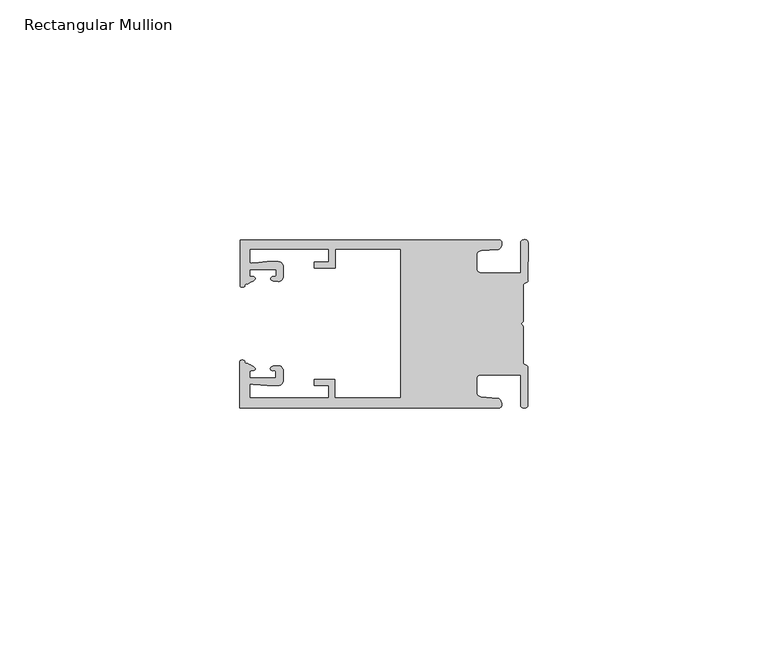
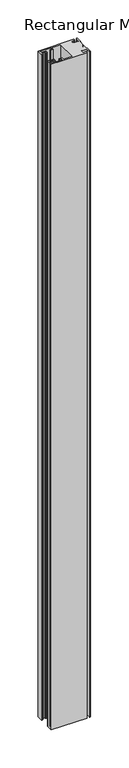
"""IFC4 building model written with IfcOpenShell, lengths in millimetres: member geometry, Rectangular Mullion."""

from ifc_helpers import new_model, si_unit, frame, origin, place, context, project, spatial, circle_curve, source, transform, mapped, element, save
from ifc_brep_helpers import plane_surface, cylinder_surface, extruded_surface, spline_curve, advanced_brep


def rectangular_mullion_90b0a47c(model_context):
    return source(origin(), model_context, "Body", "AdvancedBrep", [
        advanced_brep(
        [(-60.0749377, 17.5111528, 0.0), (-60.0749377, 8.0140787, 0.0), (-59.3252567, 7.7187455, 0.0), (-58.4967974, 8.36785, 0.0), (-58.0726619, 10.1173923, 0.0), (-58.0713101, 11.3673916, 0.0), (-52.5713133, 11.3614437, 0.0), (-52.5726651, 10.1114444, 0.0), (-53.1427626, 8.8955539, 0.0), (-52.0740172, 8.8609044, 0.0), (-51.0729364, 9.8598224, 0.0), (-51.0706653, 11.9598211, 0.0), (-52.0700692, 12.9609024, 0.0), (-54.3905105, 12.9622843, 0.0), (-57.1599646, 12.7230061, 0.0), (-58.0696339, 12.9173907, 0.0), (-58.066768, 15.5673891, 0.0), (-41.5667584, 15.5673891, 0.0), (-41.5695894, 12.9495468, 0.0), (-44.5695877, 12.9527912, 0.0), (-44.5709936, 11.6527919, 0.0), (-40.2709961, 11.6481417, 0.0), (-40.2667576, 15.5673891, 0.0), (-26.6002952, 15.5673891, 0.0), (-26.6002952, -15.4518424, 0.0), (-40.3003032, -15.4518424, 0.0), (-40.2960856, -11.5518447, 0.0), (-44.5960831, -11.5471945, 0.0), (-44.597489, -12.8471938, 0.0), (-41.5974907, -12.8504381, 0.0), (-41.6003025, -15.4504366, 0.0), (-58.1002928, -15.4325927, 0.0), (-58.097427, -12.7825943, 0.0), (-57.1873395, -12.5901776, 0.0), (-54.4184094, -12.8354453, 0.0), (-52.0979705, -12.8390822, 0.0), (-51.0964037, -11.8401649, 0.0), (-51.0941327, -9.7401662, 0.0), (-52.0930507, -8.7390853, 0.0), (-53.1618685, -8.7714231, 0.0), (-52.5944022, -9.9885439, 0.0), (-52.595754, -11.2385431, 0.0), (-58.0957508, -11.2325952, 0.0), (-58.094399, -9.9825959, 0.0), (-58.5147494, -8.2321403, 0.0), (-59.3418028, -7.5812455, 0.0), (-60.0921208, -7.8749565, 0.0), (-60.0921208, -17.4888267, 0.0), (-6.1024861, -17.4888267, 0.0), (-6.5218639, -15.488372, 0.0), (-9.8784944, -15.2205466, 0.0), (-10.7989567, -14.2226333, 0.0), (-10.7961029, -11.5837474, 0.0), (-9.8734844, -10.5878272, 0.0), (-1.5950266, -10.5934991, 0.0), (-1.601948, -16.9936935, 0.0), (-0.1017194, -16.7830581, 0.0), (-0.0933208, -9.0170082, 0.0), (-1.0923837, -8.1499018, 0.0), (-1.0842165, -0.5977972, 0.0), (-1.0829111, 0.6093089, 0.0), (-1.0747439, 8.1614135, 0.0), (-0.0738079, 9.026357, 0.0), (-0.0654093, 16.7924069, 0.0), (-1.5651789, 17.0062866, 0.0), (-1.5651789, 10.6183257, 0.0), (-9.8505511, 10.6183257, 0.0), (-10.7710133, 11.6162391, 0.0), (-10.7681595, 14.255125, 0.0), (-9.845541, 15.2510452, 0.0), (-6.4883391, 15.5116099, 0.0), (-6.0646356, 17.5111528, 0.0), (-60.0749377, 17.5111528, -1066.8), (-6.0646356, 17.5111528, -1066.8), (-6.4883391, 15.5116099, -1066.8), (-9.845541, 15.2510452, -1066.8), (-10.7681595, 14.255125, -1066.8), (-10.7710133, 11.6162391, -1066.8), (-9.8505511, 10.6183257, -1066.8), (-1.5651789, 10.6183257, -1066.8), (-1.5651789, 17.0062866, -1066.8), (-0.0654093, 16.7924069, -1066.8), (-0.0738079, 9.026357, -1066.8), (-1.0747439, 8.1614135, -1066.8), (-1.0829111, 0.6093089, -1066.8), (-1.0842165, -0.5977972, -1066.8), (-1.0923837, -8.1499018, -1066.8), (-0.0933208, -9.0170082, -1066.8), (-0.1017194, -16.7830581, -1066.8), (-1.601948, -16.9936935, -1066.8), (-1.5950266, -10.5934991, -1066.8), (-9.8734844, -10.5878272, -1066.8), (-10.7961029, -11.5837474, -1066.8), (-10.7989567, -14.2226333, -1066.8), (-9.8784944, -15.2205466, -1066.8), (-6.5218639, -15.488372, -1066.8), (-6.1024861, -17.4888267, -1066.8), (-60.0921208, -17.4888267, -1066.8), (-60.0921208, -7.8749565, -1066.8), (-59.3418028, -7.5812455, -1066.8), (-58.5147494, -8.2321403, -1066.8), (-58.094399, -9.9825959, -1066.8), (-58.0957508, -11.2325952, -1066.8), (-52.595754, -11.2385431, -1066.8), (-52.5944022, -9.9885439, -1066.8), (-53.1618685, -8.7714231, -1066.8), (-52.0930507, -8.7390853, -1066.8), (-51.0941327, -9.7401662, -1066.8), (-51.0964037, -11.8401649, -1066.8), (-52.0979705, -12.8390823, -1066.8), (-54.4184094, -12.8354453, -1066.8), (-57.1873395, -12.5901776, -1066.8), (-58.097427, -12.7825943, -1066.8), (-58.1002928, -15.4325927, -1066.8), (-41.6003025, -15.4504366, -1066.8), (-41.5974907, -12.8504381, -1066.8), (-44.597489, -12.8471938, -1066.8), (-44.5960831, -11.5471945, -1066.8), (-40.2960856, -11.5518447, -1066.8), (-40.3003032, -15.4518424, -1066.8), (-26.6002952, -15.4518424, -1066.8), (-26.6002952, 15.5673891, -1066.8), (-40.2667576, 15.5673891, -1066.8), (-40.2709961, 11.6481417, -1066.8), (-44.5709936, 11.6527919, -1066.8), (-44.5695877, 12.9527912, -1066.8), (-41.5695894, 12.9495468, -1066.8), (-41.5667584, 15.5673891, -1066.8), (-58.066768, 15.5673891, -1066.8), (-58.0696339, 12.9173907, -1066.8), (-57.1599646, 12.7230061, -1066.8), (-54.3905105, 12.9622843, -1066.8), (-52.0700692, 12.9609023, -1066.8), (-51.0706653, 11.9598211, -1066.8), (-51.0729364, 9.8598224, -1066.8), (-52.0740172, 8.8609044, -1066.8), (-53.1427626, 8.8955539, -1066.8), (-52.5726651, 10.1114444, -1066.8), (-52.5713133, 11.3614437, -1066.8), (-58.0713101, 11.3673916, -1066.8), (-58.0726619, 10.1173923, -1066.8), (-58.4967974, 8.36785, -1066.8), (-59.3252567, 7.7187455, -1066.8), (-60.0749377, 8.0140787, -1066.8)],
        [
            (0, 1),
            (1, 2, spline_curve(3, [(-60.0749377, 8.0140787, 0.0), (-60.075233123, 7.740904774, 0.0), (-59.825339491, 7.642460332, 0.0), (-59.3252567, 7.7187455, 0.0)], [4, 4], [0.0, 0.0019169337574178654])),
            (2, 3, spline_curve(3, [(-59.3252567, 7.7187455, 0.0), (-59.094460914, 7.75918372, 0.0), (-59.054835463, 7.902257199, 0.0), (-59.05559987, 8.233305614, 0.0), (-59.138729113, 8.4134359, 0.0), (-58.4967974, 8.36785, 0.0)], [4, 2, 4], [0.0, 0.0010199524164107188, 0.0024874514725970356])),
            (3, 4, spline_curve(3, [(-58.4967974, 8.36785, 0.0), (-57.022393378, 9.053435667, 0.0), (-56.827266887, 9.364828726, 0.0), (-56.982213078, 9.742623404, 0.0), (-57.177375211, 9.855581791, 0.0), (-57.697928101, 9.887955071, 0.0), (-57.997449153, 9.835475348, 0.0), (-58.0726619, 10.1173923, 0.0)], [4, 2, 2, 4], [0.0, 0.003269869179570428, 0.005490050486237203, 0.0073545767114364426])),
            (4, 5),
            (5, 6),
            (6, 7),
            (7, 8, spline_curve(3, [(-52.5726651, 10.1114444, 0.0), (-52.667195519, 9.760172042, 0.0), (-52.937094388, 9.861877724, 0.0), (-53.356237032, 9.895631753, 0.0), (-53.491940439, 9.811038713, 0.0), (-53.761900775, 9.511438033, 0.0), (-53.892893546, 9.278787104, 0.0), (-53.1427626, 8.8955539, 0.0)], [4, 2, 2, 4], [0.0, 0.001593963049934732, 0.0033360256320283306, 0.005339140673503943])),
            (8, 9),
            (9, 10, circle_curve(frame((-52.0729358, 9.8609038, 0.0), z_axis=(0.0, 0.0, 1.0), x_axis=(-0.0010814451158600304, -0.9999994152380598, 0.0)), 1.0)),
            (10, 11),
            (11, 12, circle_curve(frame((-52.0706647, 11.9609026, 0.0), z_axis=(0.0, 0.0, 1.0), x_axis=(-0.0010814451158600304, -0.9999994152380598, 0.0)), 1.0)),
            (12, 13),
            (13, 14),
            (14, 15, spline_curve(3, [(-57.1599646, 12.7230061, 0.0), (-57.631533854, 12.682262968, 0.0), (-58.018602985, 12.477800124, 0.0), (-58.0696339, 12.9173907, 0.0)], [4, 4], [0.0, 0.0014803385355886016])),
            (15, 16),
            (16, 17),
            (17, 18),
            (18, 19),
            (19, 20),
            (20, 21),
            (21, 22),
            (22, 23),
            (23, 24),
            (24, 25),
            (25, 26),
            (26, 27),
            (27, 28),
            (28, 29),
            (29, 30),
            (30, 31),
            (31, 32),
            (32, 33, spline_curve(3, [(-58.097427, -12.7825943, 0.0), (-58.045445419, -12.343115126, 0.0), (-57.658819528, -12.548414611, 0.0), (-57.1873395, -12.5901776, 0.0)], [4, 4], [0.0, 0.0014803385355886016])),
            (33, 34),
            (34, 35),
            (35, 36, circle_curve(frame((-52.0964031, -11.8390835, 0.0), z_axis=(0.0, 0.0, 1.0), x_axis=(0.0010814451158600304, 0.9999994152380598, 0.0)), 1.0)),
            (36, 37),
            (37, 38, circle_curve(frame((-52.0941321, -9.7390847, 0.0), z_axis=(0.0, 0.0, 1.0), x_axis=(0.0010814451158600304, 0.9999994152380598, 0.0)), 1.0)),
            (38, 39),
            (39, 40, spline_curve(3, [(-53.1618685, -8.7714231, 0.0), (-53.912826582, -9.153032958, 0.0), (-53.782337352, -9.385966711, 0.0), (-53.51302565, -9.686150585, 0.0), (-53.377505444, -9.771037009, 0.0), (-52.958290774, -9.738189618, 0.0), (-52.688172635, -9.637067904, 0.0), (-52.5944022, -9.9885439, 0.0)], [4, 2, 2, 4], [0.0, 0.002003115041475612, 0.0037451776235692107, 0.005339140673503943])),
            (40, 41),
            (41, 42),
            (42, 43),
            (43, 44, spline_curve(3, [(-58.094399, -9.9825959, 0.0), (-58.018576674, -9.700842284, 0.0), (-57.719169706, -9.753969703, 0.0), (-57.198548014, -9.722722397, 0.0), (-57.003142178, -9.61018632, 0.0), (-56.847379222, -9.232727657, 0.0), (-57.041831673, -8.920913336, 0.0), (-58.5147494, -8.2321403, 0.0)], [4, 2, 2, 4], [0.0, 0.0018645262251992395, 0.004084707531866015, 0.0073545767114364426])),
            (44, 45, spline_curve(3, [(-58.5147494, -8.2321403, 0.0), (-59.156778208, -8.276337666, 0.0), (-59.073259494, -8.096387681, 0.0), (-59.071779067, -7.765341694, 0.0), (-59.111095017, -7.622182811, 0.0), (-59.3418028, -7.5812455, 0.0)], [4, 2, 4], [0.0, 0.0014674990561863168, 0.0024874514725970356])),
            (45, 46, spline_curve(3, [(-59.3418028, -7.5812455, 0.0), (-59.841719425, -7.503878887, 0.0), (-60.091825377, -7.601782574, 0.0), (-60.0921208, -7.8749565, 0.0)], [4, 4], [0.0, 0.0019169337574178654])),
            (46, 47),
            (47, 48),
            (48, 49, spline_curve(3, [(-6.1024861, -17.4888267, 0.0), (-5.074532184, -17.418062188, 0.0), (-5.631140689, -15.411414367, 0.0), (-6.5218639, -15.488372, 0.0)], [4, 4], [0.0, 0.0043819361547461745])),
            (49, 50),
            (50, 51, spline_curve(3, [(-9.8784944, -15.2205466, 0.0), (-10.440691543, -15.150698463, 0.0), (-10.74751234, -14.818060727, 0.0), (-10.7989567, -14.2226333, 0.0)], [4, 4], [0.0, 0.0028645797420738927])),
            (51, 52),
            (52, 53, spline_curve(3, [(-10.7961029, -11.5837474, 0.0), (-10.743370817, -10.988432634, 0.0), (-10.435831301, -10.656459204, 0.0), (-9.8734844, -10.5878272, 0.0)], [4, 4], [0.0, 0.0028645797420738927])),
            (53, 54),
            (54, 55),
            (55, 56, spline_curve(3, [(-1.601948, -16.9936935, 0.0), (-1.655676874, -17.600261454, 0.0), (-0.043737403, -17.912795581, 0.0), (-0.1017194, -16.7830581, 0.0)], [4, 4], [0.0, 0.0036987374396357936])),
            (56, 57),
            (57, 58, spline_curve(3, [(-0.0933208, -9.0170082, 0.0), (-0.018818183, -8.695886697, 0.0), (-1.193434327, -8.459763043, 0.0), (-1.0923837, -8.1499018, 0.0)], [4, 4], [0.0, 0.002027216749630121])),
            (58, 59),
            (59, 60, spline_curve(3, [(-1.0842165, -0.5977972, 0.0), (-1.013223198, -0.445980437, 0.0), (-1.487945123, -0.206736825, 0.0), (-1.487409651, 0.231097965, 0.0), (-0.999110985, 0.429090391, 0.0), (-1.0829111, 0.6093089, 0.0)], [4, 2, 4], [0.0, 0.00249866671847065, 0.005031402919736269])),
            (60, 61),
            (61, 62, spline_curve(3, [(-1.0747439, 8.1614135, 0.0), (-1.175124095, 8.47149258, 0.0), (-7e-09, 8.705075107, 0.0), (-0.0738079, 9.026357, 0.0)], [4, 4], [0.0, 0.002027216749630121])),
            (62, 63),
            (63, 64, spline_curve(3, [(-0.0654093, 16.7924069, 0.0), (-0.004983942, 17.92201633, 0.0), (-1.617595709, 17.612969344, 0.0), (-1.5651789, 17.0062866, 0.0)], [4, 4], [0.0, 0.0036987374396357936])),
            (64, 65),
            (65, 66),
            (66, 67, spline_curve(3, [(-9.8505511, 10.6183257, 0.0), (-10.412748243, 10.688173837, 0.0), (-10.71956894, 11.020811673, 0.0), (-10.7710133, 11.6162391, 0.0)], [4, 4], [0.0, 0.0028645797420738927])),
            (67, 68),
            (68, 69, spline_curve(3, [(-10.7681595, 14.255125, 0.0), (-10.715427417, 14.850439766, 0.0), (-10.407887901, 15.182413196, 0.0), (-9.845541, 15.2510452, 0.0)], [4, 4], [0.0, 0.0028645797420738927])),
            (69, 70),
            (70, 71, spline_curve(3, [(-6.4883391, 15.5116099, 0.0), (-5.597784423, 15.432725911, 0.0), (-5.036837144, 17.438165103, 0.0), (-6.0646356, 17.5111528, 0.0)], [4, 4], [0.0, 0.0043819361547461745])),
            (71, 0),
            (72, 73),
            (73, 74, spline_curve(3, [(-6.0646356, 17.5111528, -1066.8), (-5.036837144, 17.438165103, -1066.8), (-5.597784423, 15.432725911, -1066.8), (-6.4883391, 15.5116099, -1066.8)], [4, 4], [0.0, 0.0043819361547461745])),
            (74, 75),
            (75, 76, spline_curve(3, [(-9.845541, 15.2510452, -1066.8), (-10.407887901, 15.182413196, -1066.8), (-10.715427417, 14.850439766, -1066.8), (-10.7681595, 14.255125, -1066.8)], [4, 4], [0.0, 0.0028645797420738927])),
            (76, 77),
            (77, 78, spline_curve(3, [(-10.7710133, 11.6162391, -1066.8), (-10.71956894, 11.020811673, -1066.8), (-10.412748243, 10.688173837, -1066.8), (-9.8505511, 10.6183257, -1066.8)], [4, 4], [0.0, 0.0028645797420738927])),
            (78, 79),
            (79, 80),
            (80, 81, spline_curve(3, [(-1.5651789, 17.0062866, -1066.8), (-1.617595709, 17.612969344, -1066.8), (-0.004983942, 17.92201633, -1066.8), (-0.0654093, 16.7924069, -1066.8)], [4, 4], [0.0, 0.0036987374396357936])),
            (81, 82),
            (82, 83, spline_curve(3, [(-0.0738079, 9.026357, -1066.8), (-7e-09, 8.705075107, -1066.8), (-1.175124095, 8.47149258, -1066.8), (-1.0747439, 8.1614135, -1066.8)], [4, 4], [0.0, 0.002027216749630121])),
            (83, 84),
            (84, 85, spline_curve(3, [(-1.0829111, 0.6093089, -1066.8), (-0.999110985, 0.429090391, -1066.8), (-1.487409651, 0.231097965, -1066.8), (-1.487945123, -0.206736825, -1066.8), (-1.013223198, -0.445980437, -1066.8), (-1.0842165, -0.5977972, -1066.8)], [4, 2, 4], [0.0, 0.002532736201265619, 0.005031402919736269])),
            (85, 86),
            (86, 87, spline_curve(3, [(-1.0923837, -8.1499018, -1066.8), (-1.193434327, -8.459763043, -1066.8), (-0.018818183, -8.695886697, -1066.8), (-0.0933208, -9.0170082, -1066.8)], [4, 4], [0.0, 0.002027216749630121])),
            (87, 88),
            (88, 89, spline_curve(3, [(-0.1017194, -16.7830581, -1066.8), (-0.043737403, -17.912795581, -1066.8), (-1.655676874, -17.600261454, -1066.8), (-1.601948, -16.9936935, -1066.8)], [4, 4], [0.0, 0.0036987374396357936])),
            (89, 90),
            (90, 91),
            (91, 92, spline_curve(3, [(-9.8734844, -10.5878272, -1066.8), (-10.435831301, -10.656459204, -1066.8), (-10.743370817, -10.988432634, -1066.8), (-10.7961029, -11.5837474, -1066.8)], [4, 4], [0.0, 0.0028645797420738927])),
            (92, 93),
            (93, 94, spline_curve(3, [(-10.7989567, -14.2226333, -1066.8), (-10.74751234, -14.818060727, -1066.8), (-10.440691543, -15.150698463, -1066.8), (-9.8784944, -15.2205466, -1066.8)], [4, 4], [0.0, 0.0028645797420738927])),
            (94, 95),
            (95, 96, spline_curve(3, [(-6.5218639, -15.488372, -1066.8), (-5.631140689, -15.411414367, -1066.8), (-5.074532184, -17.418062188, -1066.8), (-6.1024861, -17.4888267, -1066.8)], [4, 4], [0.0, 0.0043819361547461745])),
            (96, 97),
            (97, 98),
            (98, 99, spline_curve(3, [(-60.0921208, -7.8749565, -1066.8), (-60.091825377, -7.601782574, -1066.8), (-59.841719425, -7.503878887, -1066.8), (-59.3418028, -7.5812455, -1066.8)], [4, 4], [0.0, 0.0019169337574178654])),
            (99, 100, spline_curve(3, [(-59.3418028, -7.5812455, -1066.8), (-59.111095017, -7.622182811, -1066.8), (-59.071779067, -7.765341694, -1066.8), (-59.073259494, -8.096387681, -1066.8), (-59.156778208, -8.276337666, -1066.8), (-58.5147494, -8.2321403, -1066.8)], [4, 2, 4], [0.0, 0.0010199524164107188, 0.0024874514725970356])),
            (100, 101, spline_curve(3, [(-58.5147494, -8.2321403, -1066.8), (-57.041831673, -8.920913336, -1066.8), (-56.847379222, -9.232727657, -1066.8), (-57.003142178, -9.61018632, -1066.8), (-57.198548014, -9.722722397, -1066.8), (-57.719169706, -9.753969703, -1066.8), (-58.018576674, -9.700842284, -1066.8), (-58.094399, -9.9825959, -1066.8)], [4, 2, 2, 4], [0.0, 0.003269869179570428, 0.005490050486237203, 0.0073545767114364426])),
            (101, 102),
            (102, 103),
            (103, 104),
            (104, 105, spline_curve(3, [(-52.5944022, -9.9885439, -1066.8), (-52.688172635, -9.637067904, -1066.8), (-52.958290774, -9.738189618, -1066.8), (-53.377505444, -9.771037009, -1066.8), (-53.51302565, -9.686150585, -1066.8), (-53.782337352, -9.385966711, -1066.8), (-53.912826582, -9.153032958, -1066.8), (-53.1618685, -8.7714231, -1066.8)], [4, 2, 2, 4], [0.0, 0.001593963049934732, 0.0033360256320283306, 0.005339140673503943])),
            (105, 106),
            (106, 107, circle_curve(frame((-52.0941321, -9.7390847, -1066.8), z_axis=(0.0, 0.0, -1.0), x_axis=(0.0010814451158600304, 0.9999994152380598, 0.0)), 1.0)),
            (107, 108),
            (108, 109, circle_curve(frame((-52.0964031, -11.8390835, -1066.8), z_axis=(0.0, 0.0, -1.0), x_axis=(0.0010814451158600304, 0.9999994152380598, 0.0)), 1.0)),
            (109, 110),
            (110, 111),
            (111, 112, spline_curve(3, [(-57.1873395, -12.5901776, -1066.8), (-57.658819528, -12.548414611, -1066.8), (-58.045445419, -12.343115126, -1066.8), (-58.097427, -12.7825943, -1066.8)], [4, 4], [0.0, 0.0014803385355886016])),
            (112, 113),
            (113, 114),
            (114, 115),
            (115, 116),
            (116, 117),
            (117, 118),
            (118, 119),
            (119, 120),
            (120, 121),
            (121, 122),
            (122, 123),
            (123, 124),
            (124, 125),
            (125, 126),
            (126, 127),
            (127, 128),
            (128, 129),
            (129, 130, spline_curve(3, [(-58.0696339, 12.9173907, -1066.8), (-58.018602985, 12.477800124, -1066.8), (-57.631533854, 12.682262968, -1066.8), (-57.1599646, 12.7230061, -1066.8)], [4, 4], [0.0, 0.0014803385355886016])),
            (130, 131),
            (131, 132),
            (132, 133, circle_curve(frame((-52.0706647, 11.9609026, -1066.8), z_axis=(0.0, 0.0, -1.0), x_axis=(-0.0010814451158600304, -0.9999994152380598, 0.0)), 1.0)),
            (133, 134),
            (134, 135, circle_curve(frame((-52.0729358, 9.8609038, -1066.8), z_axis=(0.0, 0.0, -1.0), x_axis=(-0.0010814451158600304, -0.9999994152380598, 0.0)), 1.0)),
            (135, 136),
            (136, 137, spline_curve(3, [(-53.1427626, 8.8955539, -1066.8), (-53.892893546, 9.278787104, -1066.8), (-53.761900775, 9.511438033, -1066.8), (-53.491940439, 9.811038713, -1066.8), (-53.356237032, 9.895631753, -1066.8), (-52.937094388, 9.861877724, -1066.8), (-52.667195519, 9.760172042, -1066.8), (-52.5726651, 10.1114444, -1066.8)], [4, 2, 2, 4], [0.0, 0.002003115041475612, 0.0037451776235692107, 0.005339140673503943])),
            (137, 138),
            (138, 139),
            (139, 140),
            (140, 141, spline_curve(3, [(-58.0726619, 10.1173923, -1066.8), (-57.997449153, 9.835475348, -1066.8), (-57.697928101, 9.887955071, -1066.8), (-57.177375211, 9.855581791, -1066.8), (-56.982213078, 9.742623404, -1066.8), (-56.827266887, 9.364828726, -1066.8), (-57.022393378, 9.053435667, -1066.8), (-58.4967974, 8.36785, -1066.8)], [4, 2, 2, 4], [0.0, 0.0018645262251992395, 0.004084707531866015, 0.0073545767114364426])),
            (141, 142, spline_curve(3, [(-58.4967974, 8.36785, -1066.8), (-59.138729113, 8.4134359, -1066.8), (-59.05559987, 8.233305614, -1066.8), (-59.054835463, 7.902257199, -1066.8), (-59.094460914, 7.75918372, -1066.8), (-59.3252567, 7.7187455, -1066.8)], [4, 2, 4], [0.0, 0.0014674990561863168, 0.0024874514725970356])),
            (142, 143, spline_curve(3, [(-59.3252567, 7.7187455, -1066.8), (-59.825339491, 7.642460332, -1066.8), (-60.075233123, 7.740904774, -1066.8), (-60.0749377, 8.0140787, -1066.8)], [4, 4], [0.0, 0.0019169337574178654])),
            (143, 72),
            (0, 72),
            (143, 1),
            (142, 2),
            (141, 3),
            (140, 4),
            (139, 5),
            (138, 6),
            (137, 7),
            (136, 8),
            (135, 9),
            (134, 10),
            (133, 11),
            (132, 12),
            (131, 13),
            (130, 14),
            (129, 15),
            (128, 16),
            (127, 17),
            (126, 18),
            (125, 19),
            (124, 20),
            (123, 21),
            (122, 22),
            (121, 23),
            (120, 24),
            (119, 25),
            (118, 26),
            (117, 27),
            (116, 28),
            (115, 29),
            (114, 30),
            (113, 31),
            (112, 32),
            (111, 33),
            (110, 34),
            (109, 35),
            (108, 36),
            (107, 37),
            (106, 38),
            (105, 39),
            (104, 40),
            (103, 41),
            (102, 42),
            (101, 43),
            (100, 44),
            (99, 45),
            (98, 46),
            (97, 47),
            (96, 48),
            (95, 49),
            (94, 50),
            (93, 51),
            (92, 52),
            (91, 53),
            (90, 54),
            (89, 55),
            (88, 56),
            (87, 57),
            (86, 58),
            (85, 59),
            (84, 60),
            (83, 61),
            (82, 62),
            (81, 63),
            (80, 64),
            (79, 65),
            (78, 66),
            (77, 67),
            (76, 68),
            (75, 69),
            (74, 70),
            (73, 71),
        ],
        [
            plane_surface(frame((0.0, -62.5853181, 0.0), z_axis=(0.0, 0.0, 1.0), x_axis=(-1.0, 0.0, 0.0))),
            plane_surface(frame((0.0, -62.5853181, -1066.8), z_axis=(0.0, 0.0, -1.0), x_axis=(-1.0, 0.0, 0.0))),
            plane_surface(frame((-60.0749377, 17.5111528, 0.0), z_axis=(-1.0, 0.0, 0.0), x_axis=(0.0, 0.0, -1.0))),
            extruded_surface(spline_curve(3, [(-60.0749377, 8.0140787, -1066.8), (-60.075233123, 7.740904774, -1066.8), (-59.825339491, 7.642460332, -1066.8), (-59.3252567, 7.7187455, -1066.8)], [4, 4], [0.0, 0.0019169337574178654]), (0.0, 0.0, 1066.8), 1066.8),
            extruded_surface(spline_curve(3, [(-59.3252567, 7.7187455, -1066.8), (-59.094460914, 7.75918372, -1066.8), (-59.054835463, 7.902257199, -1066.8), (-59.05559987, 8.233305614, -1066.8), (-59.138729113, 8.4134359, -1066.8), (-58.4967974, 8.36785, -1066.8)], [4, 2, 4], [0.0, 0.0010199524164107188, 0.0024874514725970356]), (0.0, 0.0, 1066.8), 1066.8),
            extruded_surface(spline_curve(3, [(-58.4967974, 8.36785, -1066.8), (-57.022393378, 9.053435667, -1066.8), (-56.827266887, 9.364828726, -1066.8), (-56.982213078, 9.742623404, -1066.8), (-57.177375211, 9.855581791, -1066.8), (-57.697928101, 9.887955071, -1066.8), (-57.997449153, 9.835475348, -1066.8), (-58.0726619, 10.1173923, -1066.8)], [4, 2, 2, 4], [0.0, 0.003269869179570428, 0.005490050486237203, 0.0073545767114364426]), (0.0, 0.0, 1066.8), 1066.8),
            plane_surface(frame((-58.0726619, 10.1173923, 0.0), z_axis=(0.9999994152380598, -0.0010814451158634145, 0.0), x_axis=(0.0, 0.0, -1.0))),
            plane_surface(frame((-58.0713101, 11.3673916, 0.0), z_axis=(-0.0010814451158616418, -0.9999994152380598, 0.0), x_axis=(0.0, 0.0, -1.0))),
            plane_surface(frame((-52.5713133, 11.3614437, 0.0), z_axis=(-0.9999994152380598, 0.0010814451158643293, 0.0), x_axis=(0.0, 0.0, -1.0))),
            extruded_surface(spline_curve(3, [(-52.5726651, 10.1114444, -1066.8), (-52.667195519, 9.760172042, -1066.8), (-52.937094388, 9.861877724, -1066.8), (-53.356237032, 9.895631753, -1066.8), (-53.491940439, 9.811038713, -1066.8), (-53.761900775, 9.511438033, -1066.8), (-53.892893546, 9.278787104, -1066.8), (-53.1427626, 8.8955539, -1066.8)], [4, 2, 2, 4], [0.0, 0.001593963049934732, 0.0033360256320283306, 0.005339140673503943]), (0.0, 0.0, 1066.8), 1066.8),
            plane_surface(frame((-53.1427626, 8.8955539, 0.0), z_axis=(-0.032403661401520414, -0.9994748634797054, 0.0), x_axis=(0.0, 0.0, -1.0))),
            cylinder_surface(frame((-52.0729358, 9.8609038, 0.0), z_axis=(0.0, 0.0, 1.0000000000000002), x_axis=(-0.0010814451158600304, -0.9999994152380598, 0.0)), 1.0),
            plane_surface(frame((-51.0729364, 9.8598224, 0.0), z_axis=(0.9999994152380598, -0.001081445115864059, 0.0), x_axis=(0.0, 0.0, -1.0))),
            cylinder_surface(frame((-52.0706647, 11.9609026, 0.0), z_axis=(0.0, 0.0, 1.0000000000000002), x_axis=(-0.0010814451158600304, -0.9999994152380598, 0.0)), 1.0),
            plane_surface(frame((-52.0700692, 12.9609023, 0.0), z_axis=(0.0005955716436318007, 0.999999822647193, 0.0), x_axis=(0.0, 0.0, -1.0))),
            plane_surface(frame((-54.3905105, 12.9622843, 0.0), z_axis=(-0.08607836189159865, 0.9962883697073147, 0.0), x_axis=(0.0, 0.0, -1.0))),
            extruded_surface(spline_curve(3, [(-57.1599646, 12.7230061, -1066.8), (-57.631533854, 12.682262968, -1066.8), (-58.018602985, 12.477800124, -1066.8), (-58.0696339, 12.9173907, -1066.8)], [4, 4], [0.0, 0.0014803385355886016]), (0.0, 0.0, 1066.8), 1066.8),
            plane_surface(frame((-58.0696339, 12.9173907, 0.0), z_axis=(0.9999994152380598, -0.0010814451158629996, 0.0), x_axis=(0.0, 0.0, -1.0))),
            plane_surface(frame((-58.066768, 15.5673891, 0.0), z_axis=(0.0, -1.0, 0.0), x_axis=(0.0, 0.0, -1.0))),
            plane_surface(frame((-41.5667584, 15.5673891, 0.0), z_axis=(-0.9999994152380598, 0.0010814451158636304, 0.0), x_axis=(0.0, 0.0, -1.0))),
            plane_surface(frame((-41.5695894, 12.9495468, 0.0), z_axis=(0.0010814451158615687, 0.9999994152380598, 0.0), x_axis=(0.0, 0.0, -1.0))),
            plane_surface(frame((-44.5695877, 12.9527912, 0.0), z_axis=(-0.9999994152380598, 0.0010814451158626742, 0.0), x_axis=(0.0, 0.0, -1.0))),
            plane_surface(frame((-44.5709936, 11.6527919, 0.0), z_axis=(-0.001081445115861604, -0.9999994152380598, 0.0), x_axis=(0.0, 0.0, -1.0))),
            plane_surface(frame((-40.2709961, 11.6481417, 0.0), z_axis=(0.9999994152380598, -0.001081445115863507, 0.0), x_axis=(0.0, 0.0, -1.0))),
            plane_surface(frame((-40.2667576, 15.5673891, 0.0), z_axis=(0.0, -1.0, 0.0), x_axis=(0.0, 0.0, -1.0))),
            plane_surface(frame((-26.6002952, 15.5673891, 0.0), z_axis=(-1.0, 0.0, 0.0), x_axis=(0.0, 0.0, -1.0))),
            plane_surface(frame((-26.6002952, -15.4518424, 0.0), z_axis=(0.0, 1.0, 0.0), x_axis=(0.0, 0.0, -1.0))),
            plane_surface(frame((-40.3003032, -15.4518424, 0.0), z_axis=(0.9999994152380598, -0.0010814451158565538, 0.0), x_axis=(0.0, 0.0, -1.0))),
            plane_surface(frame((-40.2960856, -11.5518447, 0.0), z_axis=(0.0010814451158584568, 0.9999994152380598, 0.0), x_axis=(0.0, 0.0, -1.0))),
            plane_surface(frame((-44.5960831, -11.5471945, 0.0), z_axis=(-0.9999994152380598, 0.0010814451158573867, 0.0), x_axis=(0.0, 0.0, -1.0))),
            plane_surface(frame((-44.597489, -12.8471938, 0.0), z_axis=(-0.0010814451158584922, -0.9999994152380598, 0.0), x_axis=(0.0, 0.0, -1.0))),
            plane_surface(frame((-41.5974907, -12.8504381, 0.0), z_axis=(-0.9999994152380598, 0.0010814451158564305, 0.0), x_axis=(0.0, 0.0, -1.0))),
            plane_surface(frame((-41.6003025, -15.4504366, 0.0), z_axis=(0.0010814451158583872, 0.9999994152380598, 0.0), x_axis=(0.0, 0.0, -1.0))),
            plane_surface(frame((-58.1002928, -15.4325927, 0.0), z_axis=(0.9999994152380598, -0.0010814451158570612, 0.0), x_axis=(0.0, 0.0, -1.0))),
            extruded_surface(spline_curve(3, [(-58.097427, -12.7825943, -1066.8), (-58.045445419, -12.343115126, -1066.8), (-57.658819528, -12.548414611, -1066.8), (-57.1873395, -12.5901776, -1066.8)], [4, 4], [0.0, 0.0014803385355886016]), (0.0, 0.0, 1066.8), 1066.8),
            plane_surface(frame((-57.1873395, -12.5901776, 0.0), z_axis=(-0.0882330216729926, -0.9960998614026876, 0.0), x_axis=(0.0, 0.0, -1.0))),
            plane_surface(frame((-54.4184094, -12.8354453, 0.0), z_axis=(-0.0015673183327880543, -0.9999987717558677, 0.0), x_axis=(0.0, 0.0, -1.0))),
            cylinder_surface(frame((-52.0964031, -11.8390835, 0.0), z_axis=(0.0, 0.0, 1.0000000000000002), x_axis=(0.0010814451158600304, 0.9999994152380598, 0.0)), 1.0),
            plane_surface(frame((-51.0964037, -11.8401649, 0.0), z_axis=(0.9999994152380598, -0.001081445115856002, 0.0), x_axis=(0.0, 0.0, -1.0))),
            cylinder_surface(frame((-52.0941321, -9.7390847, 0.0), z_axis=(0.0, 0.0, 1.0000000000000002), x_axis=(0.0010814451158600304, 0.9999994152380598, 0.0)), 1.0),
            plane_surface(frame((-52.0930507, -8.7390853, 0.0), z_axis=(-0.030241832452872642, 0.9995426111826812, 0.0), x_axis=(0.0, 0.0, -1.0))),
            extruded_surface(spline_curve(3, [(-53.1618685, -8.7714231, -1066.8), (-53.912826582, -9.153032958, -1066.8), (-53.782337352, -9.385966711, -1066.8), (-53.51302565, -9.686150585, -1066.8), (-53.377505444, -9.771037009, -1066.8), (-52.958290774, -9.738189618, -1066.8), (-52.688172635, -9.637067904, -1066.8), (-52.5944022, -9.9885439, -1066.8)], [4, 2, 2, 4], [0.0, 0.002003115041475612, 0.0037451776235692107, 0.005339140673503943]), (0.0, 0.0, 1066.8), 1066.8),
            plane_surface(frame((-52.5944022, -9.9885439, 0.0), z_axis=(-0.9999994152380598, 0.0010814451158557316, 0.0), x_axis=(0.0, 0.0, -1.0))),
            plane_surface(frame((-52.595754, -11.2385431, 0.0), z_axis=(0.001081445115858419, 0.9999994152380598, 0.0), x_axis=(0.0, 0.0, -1.0))),
            plane_surface(frame((-58.0957508, -11.2325952, 0.0), z_axis=(0.9999994152380598, -0.0010814451158566464, 0.0), x_axis=(0.0, 0.0, -1.0))),
            extruded_surface(spline_curve(3, [(-58.094399, -9.9825959, -1066.8), (-58.018576674, -9.700842284, -1066.8), (-57.719169706, -9.753969703, -1066.8), (-57.198548014, -9.722722397, -1066.8), (-57.003142178, -9.61018632, -1066.8), (-56.847379222, -9.232727657, -1066.8), (-57.041831673, -8.920913336, -1066.8), (-58.5147494, -8.2321403, -1066.8)], [4, 2, 2, 4], [0.0, 0.0018645262251992395, 0.004084707531866015, 0.0073545767114364426]), (0.0, 0.0, 1066.8), 1066.8),
            extruded_surface(spline_curve(3, [(-58.5147494, -8.2321403, -1066.8), (-59.156778208, -8.276337666, -1066.8), (-59.073259494, -8.096387681, -1066.8), (-59.071779067, -7.765341694, -1066.8), (-59.111095017, -7.622182811, -1066.8), (-59.3418028, -7.5812455, -1066.8)], [4, 2, 4], [0.0, 0.0014674990561863168, 0.0024874514725970356]), (0.0, 0.0, 1066.8), 1066.8),
            extruded_surface(spline_curve(3, [(-59.3418028, -7.5812455, -1066.8), (-59.841719425, -7.503878887, -1066.8), (-60.091825377, -7.601782574, -1066.8), (-60.0921208, -7.8749565, -1066.8)], [4, 4], [0.0, 0.0019169337574178654]), (0.0, 0.0, 1066.8), 1066.8),
            plane_surface(frame((-60.0921208, -7.8749565, 0.0), z_axis=(-1.0, 0.0, 0.0), x_axis=(0.0, 0.0, -1.0))),
            plane_surface(frame((-60.0921208, -17.4888267, 0.0), z_axis=(0.0, -1.0, 0.0), x_axis=(0.0, 0.0, -1.0))),
            extruded_surface(spline_curve(3, [(-6.1024861, -17.4888267, -1066.8), (-5.074532184, -17.418062188, -1066.8), (-5.631140689, -15.411414367, -1066.8), (-6.5218639, -15.488372, -1066.8)], [4, 4], [0.0, 0.0043819361547461745]), (0.0, 0.0, 1066.8), 1066.8),
            plane_surface(frame((-6.5218639, -15.488372, 0.0), z_axis=(0.07953716124904908, 0.9968319015663789, 0.0), x_axis=(0.0, 0.0, -1.0))),
            extruded_surface(spline_curve(3, [(-9.8784944, -15.2205466, -1066.8), (-10.440691543, -15.150698463, -1066.8), (-10.74751234, -14.818060727, -1066.8), (-10.7989567, -14.2226333, -1066.8)], [4, 4], [0.0, 0.0028645797420738927]), (0.0, 0.0, 1066.8), 1066.8),
            plane_surface(frame((-10.7989567, -14.2226333, 0.0), z_axis=(0.9999994152380598, -0.0010814451158568247, 0.0), x_axis=(0.0, 0.0, -1.0))),
            extruded_surface(spline_curve(3, [(-10.7961029, -11.5837474, -1066.8), (-10.743370817, -10.988432634, -1066.8), (-10.435831301, -10.656459204, -1066.8), (-9.8734844, -10.5878272, -1066.8)], [4, 4], [0.0, 0.0028645797420738927]), (0.0, 0.0, 1066.8), 1066.8),
            plane_surface(frame((-9.8734844, -10.5878272, 0.0), z_axis=(-0.0006851371995361226, -0.9999997652934814, 0.0), x_axis=(0.0, 0.0, -1.0))),
            plane_surface(frame((-1.5950266, -10.5934991, 0.0), z_axis=(-0.9999994152380598, 0.0010814451158568644, 0.0), x_axis=(0.0, 0.0, -1.0))),
            extruded_surface(spline_curve(3, [(-1.601948, -16.9936935, -1066.8), (-1.655676874, -17.600261454, -1066.8), (-0.043737403, -17.912795581, -1066.8), (-0.1017194, -16.7830581, -1066.8)], [4, 4], [0.0, 0.0036987374396357936]), (0.0, 0.0, 1066.8), 1066.8),
            plane_surface(frame((-0.1017194, -16.7830581, 0.0), z_axis=(0.9999994152380598, -0.001081445115856699, 0.0), x_axis=(0.0, 0.0, -1.0))),
            extruded_surface(spline_curve(3, [(-0.0933208, -9.0170082, -1066.8), (-0.018818183, -8.695886697, -1066.8), (-1.193434327, -8.459763043, -1066.8), (-1.0923837, -8.1499018, -1066.8)], [4, 4], [0.0, 0.002027216749630121]), (0.0, 0.0, 1066.8), 1066.8),
            plane_surface(frame((-1.0923837, -8.1499018, 0.0), z_axis=(0.9999994152380598, -0.0010814451158566698, 0.0), x_axis=(0.0, 0.0, -1.0))),
            extruded_surface(spline_curve(3, [(-1.0842165, -0.5977972, -1066.8), (-1.013223198, -0.445980437, -1066.8), (-1.487945123, -0.206736825, -1066.8), (-1.487409651, 0.231097965, -1066.8), (-0.999110985, 0.429090391, -1066.8), (-1.0829111, 0.6093089, -1066.8)], [4, 2, 4], [0.0, 0.00249866671847065, 0.005031402919736269]), (0.0, 0.0, 1066.8), 1066.8),
            plane_surface(frame((-1.0829111, 0.6093089, 0.0), z_axis=(0.9999994152380598, -0.001081445115863391, 0.0), x_axis=(0.0, 0.0, -1.0))),
            extruded_surface(spline_curve(3, [(-1.0747439, 8.1614135, -1066.8), (-1.175124095, 8.47149258, -1066.8), (-7e-09, 8.705075107, -1066.8), (-0.0738079, 9.026357, -1066.8)], [4, 4], [0.0, 0.002027216749630121]), (0.0, 0.0, 1066.8), 1066.8),
            plane_surface(frame((-0.0738079, 9.026357, 0.0), z_axis=(0.9999994152380598, -0.001081445115863362, 0.0), x_axis=(0.0, 0.0, -1.0))),
            extruded_surface(spline_curve(3, [(-0.0654093, 16.7924069, -1066.8), (-0.004983942, 17.92201633, -1066.8), (-1.617595709, 17.612969344, -1066.8), (-1.5651789, 17.0062866, -1066.8)], [4, 4], [0.0, 0.0036987374396357936]), (0.0, 0.0, 1066.8), 1066.8),
            plane_surface(frame((-1.5651789, 17.0062866, 0.0), z_axis=(-1.0, 0.0, 0.0), x_axis=(0.0, 0.0, -1.0))),
            plane_surface(frame((-1.5651789, 10.6183257, 0.0), z_axis=(0.0, 1.0, 0.0), x_axis=(0.0, 0.0, -1.0))),
            extruded_surface(spline_curve(3, [(-9.8505511, 10.6183257, -1066.8), (-10.412748243, 10.688173837, -1066.8), (-10.71956894, 11.020811673, -1066.8), (-10.7710133, 11.6162391, -1066.8)], [4, 4], [0.0, 0.0028645797420738927]), (0.0, 0.0, 1066.8), 1066.8),
            plane_surface(frame((-10.7710133, 11.6162391, 0.0), z_axis=(0.9999994152380598, -0.0010814451158632362, 0.0), x_axis=(0.0, 0.0, -1.0))),
            extruded_surface(spline_curve(3, [(-10.7681595, 14.255125, -1066.8), (-10.715427417, 14.850439766, -1066.8), (-10.407887901, 15.182413196, -1066.8), (-9.845541, 15.2510452, -1066.8)], [4, 4], [0.0, 0.0028645797420738927]), (0.0, 0.0, 1066.8), 1066.8),
            plane_surface(frame((-9.845541, 15.2510452, 0.0), z_axis=(0.07738093848608862, -0.9970015999781607, 0.0), x_axis=(0.0, 0.0, -1.0))),
            extruded_surface(spline_curve(3, [(-6.4883391, 15.5116099, -1066.8), (-5.597784423, 15.432725911, -1066.8), (-5.036837144, 17.438165103, -1066.8), (-6.0646356, 17.5111528, -1066.8)], [4, 4], [0.0, 0.0043819361547461745]), (0.0, 0.0, 1066.8), 1066.8),
            plane_surface(frame((-6.0646356, 17.5111528, 0.0), z_axis=(0.0, 1.0, 0.0), x_axis=(0.0, 0.0, -1.0))),
        ],
        [
            (0, [[1, 2, 3, 4, 5, 6, 7, 8, 9, 10, 11, 12, 13, 14, 15, 16, 17, 18, 19, 20, 21, 22, 23, 24, 25, 26, 27, 28, 29, 30, 31, 32, 33, 34, 35, 36, 37, 38, 39, 40, 41, 42, 43, 44, 45, 46, 47, 48, 49, 50, 51, 52, 53, 54, 55, 56, 57, 58, 59, 60, 61, 62, 63, 64, 65, 66, 67, 68, 69, 70, 71, 72]]),
            (1, [[73, 74, 75, 76, 77, 78, 79, 80, 81, 82, 83, 84, 85, 86, 87, 88, 89, 90, 91, 92, 93, 94, 95, 96, 97, 98, 99, 100, 101, 102, 103, 104, 105, 106, 107, 108, 109, 110, 111, 112, 113, 114, 115, 116, 117, 118, 119, 120, 121, 122, 123, 124, 125, 126, 127, 128, 129, 130, 131, 132, 133, 134, 135, 136, 137, 138, 139, 140, 141, 142, 143, 144]]),
            (2, [[-1, 145, -144, 146]]),
            (3, [[-2, -146, -143, 147]]),
            (4, [[-3, -147, -142, 148]]),
            (5, [[-4, -148, -141, 149]]),
            (6, [[-5, -149, -140, 150]]),
            (7, [[-6, -150, -139, 151]]),
            (8, [[-7, -151, -138, 152]]),
            (9, [[-8, -152, -137, 153]]),
            (10, [[-9, -153, -136, 154]]),
            (11, [[-10, -154, -135, 155]]),
            (12, [[-11, -155, -134, 156]]),
            (13, [[-12, -156, -133, 157]]),
            (14, [[-13, -157, -132, 158]]),
            (15, [[-14, -158, -131, 159]]),
            (16, [[-15, -159, -130, 160]]),
            (17, [[-16, -160, -129, 161]]),
            (18, [[-17, -161, -128, 162]]),
            (19, [[-18, -162, -127, 163]]),
            (20, [[-19, -163, -126, 164]]),
            (21, [[-20, -164, -125, 165]]),
            (22, [[-21, -165, -124, 166]]),
            (23, [[-22, -166, -123, 167]]),
            (24, [[-23, -167, -122, 168]]),
            (25, [[-24, -168, -121, 169]]),
            (26, [[-25, -169, -120, 170]]),
            (27, [[-26, -170, -119, 171]]),
            (28, [[-27, -171, -118, 172]]),
            (29, [[-28, -172, -117, 173]]),
            (30, [[-29, -173, -116, 174]]),
            (31, [[-30, -174, -115, 175]]),
            (32, [[-31, -175, -114, 176]]),
            (33, [[-32, -176, -113, 177]]),
            (34, [[-33, -177, -112, 178]]),
            (35, [[-34, -178, -111, 179]]),
            (36, [[-35, -179, -110, 180]]),
            (37, [[-36, -180, -109, 181]]),
            (38, [[-37, -181, -108, 182]]),
            (39, [[-38, -182, -107, 183]]),
            (40, [[-39, -183, -106, 184]]),
            (41, [[-40, -184, -105, 185]]),
            (42, [[-41, -185, -104, 186]]),
            (43, [[-42, -186, -103, 187]]),
            (44, [[-43, -187, -102, 188]]),
            (45, [[-44, -188, -101, 189]]),
            (46, [[-45, -189, -100, 190]]),
            (47, [[-46, -190, -99, 191]]),
            (48, [[-47, -191, -98, 192]]),
            (49, [[-48, -192, -97, 193]]),
            (50, [[-49, -193, -96, 194]]),
            (51, [[-50, -194, -95, 195]]),
            (52, [[-51, -195, -94, 196]]),
            (53, [[-52, -196, -93, 197]]),
            (54, [[-53, -197, -92, 198]]),
            (55, [[-54, -198, -91, 199]]),
            (56, [[-55, -199, -90, 200]]),
            (57, [[-56, -200, -89, 201]]),
            (58, [[-57, -201, -88, 202]]),
            (59, [[-58, -202, -87, 203]]),
            (60, [[-59, -203, -86, 204]]),
            (61, [[-60, -204, -85, 205]]),
            (62, [[-61, -205, -84, 206]]),
            (63, [[-62, -206, -83, 207]]),
            (64, [[-63, -207, -82, 208]]),
            (65, [[-64, -208, -81, 209]]),
            (66, [[-65, -209, -80, 210]]),
            (67, [[-66, -210, -79, 211]]),
            (68, [[-67, -211, -78, 212]]),
            (69, [[-68, -212, -77, 213]]),
            (70, [[-69, -213, -76, 214]]),
            (71, [[-70, -214, -75, 215]]),
            (72, [[-71, -215, -74, 216]]),
            (73, [[-72, -216, -73, -145]]),
        ],
    ),
    ])


if __name__ == "__main__":
    model = new_model("IFC4")
    model_context = context("Model", 3, world=origin())
    ifc_project = project(units=[si_unit("LENGTHUNIT", "METRE", prefix="MILLI")], contexts=[model_context])
    site = spatial("IfcSite", under=ifc_project)
    building = spatial("IfcBuilding", under=site)
    placement = place(None, origin())
    rectangular_mullion_shape = rectangular_mullion_90b0a47c(model_context)
    element("IfcMember", 1, ObjectType="Rectangular Mullion", at=placement, inside=building, context=model_context, shape_type="MappedRepresentation", body=[
        mapped(rectangular_mullion_shape, transform((0.0, 0.0, 0.0), x_axis=(1.0, 0.0, 0.0), y_axis=(0.0, 1.0, 0.0), z_axis=(0.0, 0.0, 1.0))),
    ])
    save(model, "model.ifc")
